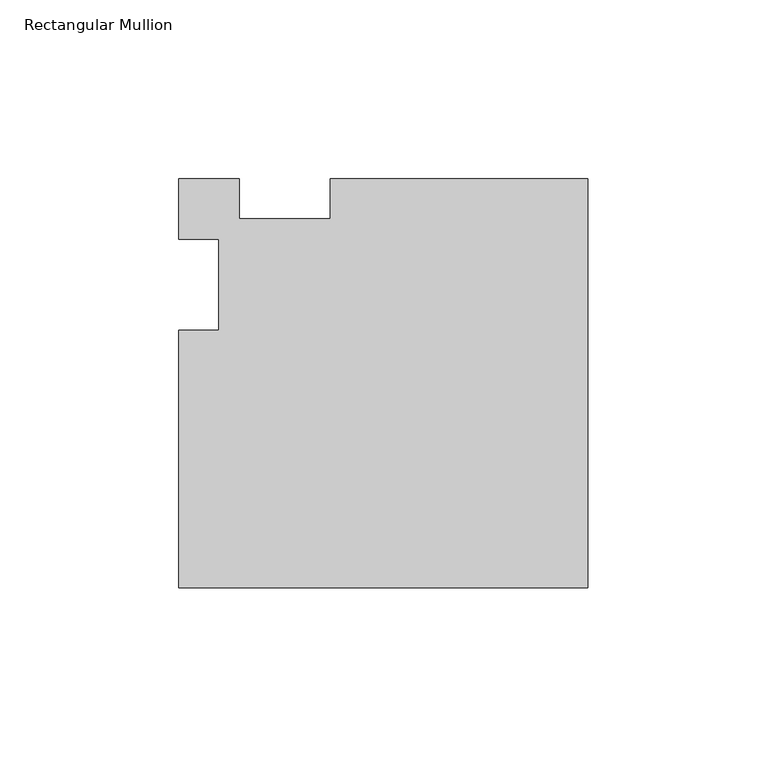
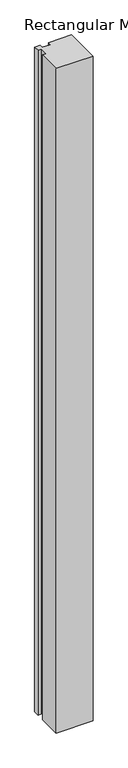
"""IFC4 building model written with IfcOpenShell, lengths in millimetres: member geometry, Rectangular Mullion."""

from ifc_helpers import new_model, si_unit, frame, origin, place, context, project, spatial, polyline, outline, extrude, source, transform, mapped, element, save


def rectangular_mullion_b6c22387(model_context):
    return source(origin(), model_context, "Body", "SweptSolid", [
        extrude(outline(polyline([(-114.3, -84.6545868), (-114.3, -12.7181735), (-103.1875, -12.7181735), (-103.1875, 12.7), (-114.3, 12.7), (-114.3, 29.6454132), (-97.3545868, 29.6454132), (-97.3545868, 18.5329132), (-71.9364132, 18.5329132), (-71.9364132, 29.6454132), (0.0, 29.6454132), (0.0, -84.6545868), (-114.3, -84.6545868)])), frame((0.0, 0.0, -2174.875), z_axis=(0.0, 0.0, 1.0), x_axis=(1.0, 0.0, 0.0)), (0.0, 0.0, 1.0), 2174.875),
    ])


if __name__ == "__main__":
    model = new_model("IFC4")
    model_context = context("Model", 3, world=origin())
    ifc_project = project(units=[si_unit("LENGTHUNIT", "METRE", prefix="MILLI")], contexts=[model_context])
    site = spatial("IfcSite", under=ifc_project)
    building = spatial("IfcBuilding", under=site)
    placement = place(None, origin())
    rectangular_mullion_shape = rectangular_mullion_b6c22387(model_context)
    element("IfcMember", 1, ObjectType="Rectangular Mullion", at=placement, inside=building, context=model_context, shape_type="MappedRepresentation", body=[
        mapped(rectangular_mullion_shape, transform((0.0, 0.0, 0.0), x_axis=(1.0, 0.0, 0.0), y_axis=(0.0, 1.0, 0.0), z_axis=(0.0, 0.0, 1.0))),
    ])
    save(model, "model.ifc")
